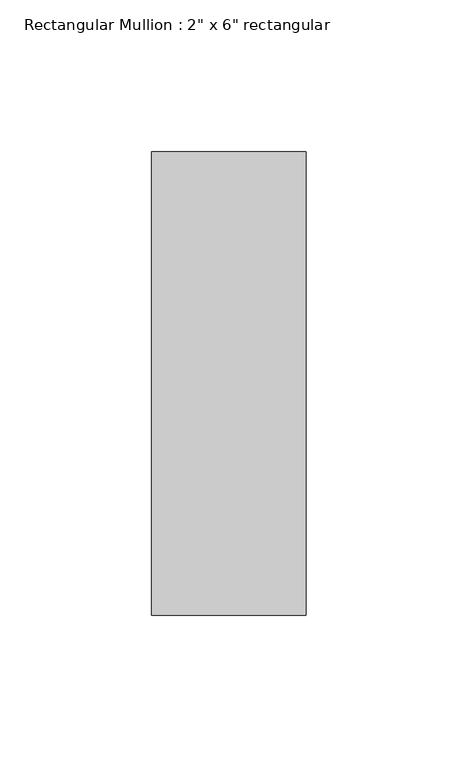
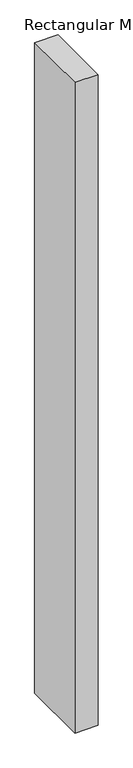
"""IFC4 building model written with IfcOpenShell, lengths in millimetres: member geometry."""

from ifc_helpers import new_model, si_unit, frame, origin, place, context, project, spatial, polyline, outline, extrude, source, transform, mapped, element, save


def member_33e93f5d(model_context):
    return source(origin(), model_context, "Body", "SweptSolid", [
        extrude(outline(polyline([(0.0, 76.2), (0.0, -76.2), (-50.8, -76.2), (-50.8, 76.2), (0.0, 76.2)])), frame((0.0, 0.0, -1508.76), z_axis=(0.0, 0.0, 1.0), x_axis=(1.0, 0.0, 0.0)), (0.0, 0.0, 1.0), 1508.76),
    ])


if __name__ == "__main__":
    model = new_model("IFC4")
    model_context = context("Model", 3, world=origin())
    ifc_project = project(units=[si_unit("LENGTHUNIT", "METRE", prefix="MILLI")], contexts=[model_context])
    site = spatial("IfcSite", under=ifc_project)
    building = spatial("IfcBuilding", under=site)
    placement = place(None, origin())
    member_shape = member_33e93f5d(model_context)
    element("IfcMember", 1, ObjectType="Rectangular Mullion : 2\" x 6\" rectangular", at=placement, inside=building, context=model_context, shape_type="MappedRepresentation", body=[
        mapped(member_shape, transform((0.0, 0.0, 0.0), x_axis=(1.0, 0.0, 0.0), y_axis=(0.0, 1.0, 0.0), z_axis=(0.0, 0.0, 1.0))),
    ])
    save(model, "model.ifc")
